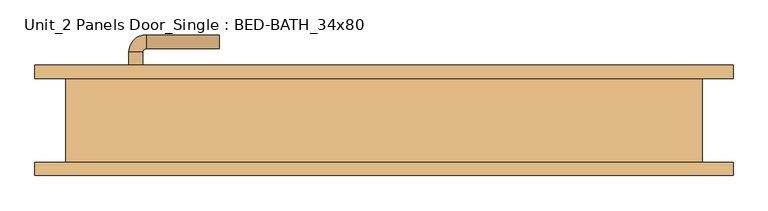
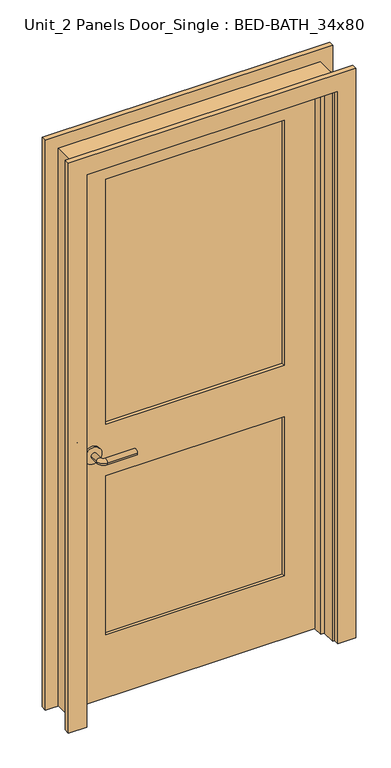
"""IFC4 building model written with IfcOpenShell, lengths in millimetres: door geometry, Unit_2 Panels Door_Single : BED-BATH_34x80."""

from ifc_helpers import new_model, si_unit, point, frame, frame_2d, origin, place, context, project, spatial, polyline, circle_curve, ellipse_curve, trimmed, segment, composite_curve, outline, extrude, faceted_brep, source, transform, mapped, element, save
from ifc_brep_helpers import plane_surface, cylinder_surface, revolved_surface, advanced_brep


def unit_2_panels_door_single_bed_bath_34x80_fb971476(model_context):
    return source(origin(), model_context, "Body", "SolidModel", [
        advanced_brep(
        [(-366.790625, 14.225, 914.4), (-346.790625, 14.225, 914.4), (-346.790625, -15.775, 914.4), (-366.790625, -15.775, 914.4), (-341.790625, -20.775, 914.4), (-341.790625, -40.775, 914.4), (-236.790625, -40.775, 914.4), (-236.790625, -20.775, 914.4)],
        [
            (0, 1, circle_curve(frame((-356.790625, 14.225, 914.4), z_axis=(0.0, 1.0, 0.0), x_axis=(1.0, 0.0, 0.0)), 10.0)),
            (1, 0, circle_curve(frame((-356.790625, 14.225, 914.4), z_axis=(0.0, 1.0, 0.0), x_axis=(1.0, 0.0, 0.0)), 10.0)),
            (1, 2),
            (2, 3, circle_curve(frame((-356.790625, -15.775, 914.4), z_axis=(0.0, 1.0, 0.0), x_axis=(1.0, 0.0, 0.0)), 10.0)),
            (3, 0),
            (3, 2, circle_curve(frame((-356.790625, -15.775, 914.4), z_axis=(0.0, 1.0, 0.0), x_axis=(1.0, 0.0, 0.0)), 10.0)),
            (4, 5, circle_curve(frame((-341.790625, -30.775, 914.4), z_axis=(-1.0, 0.0, 0.0), x_axis=(0.0, 1.0, 0.0)), 10.0)),
            (5, 3, circle_curve(frame((-341.790625, -15.775, 914.4), z_axis=(0.0, 0.0, -1.0), x_axis=(-1.0, 0.0, 0.0)), 25.0)),
            (2, 4, circle_curve(frame((-341.790625, -15.775, 914.4), z_axis=(0.0, 0.0, 1.0), x_axis=(-1.0, 0.0, 0.0)), 5.0)),
            (5, 4, circle_curve(frame((-341.790625, -30.775, 914.4), z_axis=(-1.0, 0.0, 0.0), x_axis=(0.0, 1.0, 0.0)), 10.0)),
            (6, 7, circle_curve(frame((-236.790625, -30.775, 914.4), z_axis=(1.0, 0.0, 0.0), x_axis=(0.0, 1.0, 0.0)), 10.0)),
            (7, 6, circle_curve(frame((-236.790625, -30.775, 914.4), z_axis=(1.0, 0.0, 0.0), x_axis=(0.0, 1.0, 0.0)), 10.0)),
            (4, 7),
            (6, 5),
        ],
        [
            plane_surface(frame((-356.790625, 14.225, 914.4), z_axis=(0.0, 1.0, 0.0), x_axis=(0.0, 0.0, 1.0))),
            cylinder_surface(frame((-356.790625, 14.225, 914.4), z_axis=(0.0, 1.0, 0.0), x_axis=(1.0, 0.0, 0.0)), 10.0),
            revolved_surface(trimmed(ellipse_curve(frame((-356.790625, -15.775, 914.4), z_axis=(0.0, -1.0, 0.0), x_axis=(1.0, 0.0, 0.0)), 10.0, 10.0), [point((-366.790625, -15.775, 914.4))], [point((-346.790625, -15.775, 914.4))], True, "CARTESIAN"), (-341.790625, -15.775, 914.4), (0.0, 0.0, -1.0)),
            revolved_surface(trimmed(ellipse_curve(frame((-356.790625, -15.775, 914.4), z_axis=(0.0, -1.0, 0.0), x_axis=(1.0, 0.0, 0.0)), 10.0, 10.0), [point((-346.790625, -15.775, 914.4))], [point((-366.790625, -15.775, 914.4))], True, "CARTESIAN"), (-341.790625, -15.775, 914.4), (0.0, 0.0, -1.0)),
            plane_surface(frame((-236.790625, -30.775, 914.4), z_axis=(1.0, 0.0, 0.0), x_axis=(0.0, 0.0, 1.0))),
            cylinder_surface(frame((-341.790625, -30.775, 914.4), z_axis=(-1.0, 0.0, 0.0), x_axis=(0.0, 1.0, 0.0)), 10.0),
        ],
        [
            (0, [[1, 2]]),
            (1, [[3, 4, 5, -2]]),
            (1, [[-5, 6, -3, -1]]),
            (2, [[7, 8, -4, 9]]),
            (3, [[10, -9, -6, -8]]),
            (4, [[11, 12]]),
            (5, [[13, -11, 14, -7]]),
            (5, [[-14, -12, -13, -10]]),
        ],
    ),
        extrude(outline(composite_curve([segment(trimmed(circle_curve(frame_2d((914.4, -359.290625)), 30.0), [point((914.4, -389.290625))], [point((914.4, -329.290625))], False, "CARTESIAN"), True, "CONTINUOUS"), segment(trimmed(circle_curve(frame_2d((914.4, -359.290625)), 30.0), [point((914.4, -329.290625))], [point((914.4, -389.290625))], False, "CARTESIAN"), True, "CONTINUOUS")], self_intersect=False)), frame((0.0, 14.225, 0.0), z_axis=(0.0, 1.0, 0.0), x_axis=(0.0, 0.0, 1.0)), (0.0, 0.0, 1.0), 8.0),
        advanced_brep(
        [(-366.790625, 65.15, 914.4), (-346.790625, 65.15, 914.4), (-366.790625, 95.15, 914.4), (-346.790625, 95.15, 914.4), (-341.790625, 100.15, 914.4), (-341.790625, 120.15, 914.4), (-236.790625, 120.15, 914.4), (-236.790625, 100.15, 914.4)],
        [
            (0, 1, circle_curve(frame((-356.790625, 65.15, 914.4), z_axis=(0.0, -1.0, 0.0), x_axis=(1.0, 0.0, 0.0)), 10.0)),
            (1, 0, circle_curve(frame((-356.790625, 65.15, 914.4), z_axis=(0.0, -1.0, 0.0), x_axis=(1.0, 0.0, 0.0)), 10.0)),
            (0, 2),
            (2, 3, circle_curve(frame((-356.790625, 95.15, 914.4), z_axis=(0.0, -1.0, 0.0), x_axis=(1.0, 0.0, 0.0)), 10.0)),
            (3, 1),
            (3, 2, circle_curve(frame((-356.790625, 95.15, 914.4), z_axis=(0.0, -1.0, 0.0), x_axis=(1.0, 0.0, 0.0)), 10.0)),
            (4, 3, circle_curve(frame((-341.790625, 95.15, 914.4), z_axis=(0.0, 0.0, 1.0), x_axis=(-1.0, 0.0, 0.0)), 5.0)),
            (2, 5, circle_curve(frame((-341.790625, 95.15, 914.4), z_axis=(0.0, 0.0, -1.0), x_axis=(-1.0, 0.0, 0.0)), 25.0)),
            (5, 4, circle_curve(frame((-341.790625, 110.15, 914.4), z_axis=(-1.0, 0.0, 0.0), x_axis=(0.0, -1.0, 0.0)), 10.0)),
            (4, 5, circle_curve(frame((-341.790625, 110.15, 914.4), z_axis=(-1.0, 0.0, 0.0), x_axis=(0.0, -1.0, 0.0)), 10.0)),
            (6, 7, circle_curve(frame((-236.790625, 110.15, 914.4), z_axis=(1.0, 0.0, 0.0), x_axis=(0.0, -1.0, 0.0)), 10.0)),
            (7, 6, circle_curve(frame((-236.790625, 110.15, 914.4), z_axis=(1.0, 0.0, 0.0), x_axis=(0.0, -1.0, 0.0)), 10.0)),
            (5, 6),
            (7, 4),
        ],
        [
            plane_surface(frame((-356.790625, 65.15, 914.4), z_axis=(0.0, -1.0, 0.0), x_axis=(0.0, 0.0, 1.0))),
            cylinder_surface(frame((-356.790625, 65.15, 914.4), z_axis=(0.0, -1.0, 0.0), x_axis=(1.0, 0.0, 0.0)), 10.0),
            revolved_surface(trimmed(ellipse_curve(frame((-356.790625, 95.15, 914.4), z_axis=(0.0, -1.0, 0.0), x_axis=(1.0, 0.0, 0.0)), 10.0, 10.0), [point((-366.790625, 95.15, 914.4))], [point((-346.790625, 95.15, 914.4))], True, "CARTESIAN"), (-341.790625, 95.15, 914.4), (0.0, 0.0, -1.0)),
            revolved_surface(trimmed(ellipse_curve(frame((-356.790625, 95.15, 914.4), z_axis=(0.0, -1.0, 0.0), x_axis=(1.0, 0.0, 0.0)), 10.0, 10.0), [point((-346.790625, 95.15, 914.4))], [point((-366.790625, 95.15, 914.4))], True, "CARTESIAN"), (-341.790625, 95.15, 914.4), (0.0, 0.0, -1.0)),
            plane_surface(frame((-236.790625, 110.15, 914.4), z_axis=(1.0, 0.0, 0.0), x_axis=(0.0, 0.0, 1.0))),
            cylinder_surface(frame((-341.790625, 110.15, 914.4), z_axis=(-1.0, 0.0, 0.0), x_axis=(0.0, -1.0, 0.0)), 10.0),
        ],
        [
            (0, [[1, 2]]),
            (1, [[-1, 3, 4, 5]]),
            (1, [[-2, -5, 6, -3]]),
            (2, [[7, -4, 8, 9]]),
            (3, [[-8, -6, -7, 10]]),
            (4, [[11, 12]]),
            (5, [[-9, 13, -12, 14]]),
            (5, [[-10, -14, -11, -13]]),
        ],
    ),
        extrude(outline(composite_curve([segment(trimmed(circle_curve(frame_2d((914.4, -359.290625)), 30.0), [point((914.4, -389.290625))], [point((914.4, -329.290625))], False, "CARTESIAN"), True, "CONTINUOUS"), segment(trimmed(circle_curve(frame_2d((914.4, -359.290625)), 30.0), [point((914.4, -329.290625))], [point((914.4, -389.290625))], False, "CARTESIAN"), True, "CONTINUOUS")], self_intersect=False)), frame((0.0, 57.15, 0.0), z_axis=(0.0, 1.0, 0.0), x_axis=(0.0, 0.0, 1.0)), (0.0, 0.0, 1.0), 8.0),
        extrude(outline(polyline([(311.15, 33.8666667), (-311.15, 33.8666667), (-311.15, 45.5083333), (311.15, 45.5083333), (311.15, 33.8666667)])), frame((0.0, 0.0, 1009.65), z_axis=(0.0, 0.0, 1.0), x_axis=(1.0, 0.0, 0.0)), (0.0, 0.0, 1.0), 903.2875),
        extrude(outline(polyline([(311.15, 33.8666667), (-311.15, 33.8666667), (-311.15, 45.5083333), (311.15, 45.5083333), (311.15, 33.8666667)])), frame((0.0, 0.0, 231.775), z_axis=(0.0, 0.0, 1.0), x_axis=(1.0, 0.0, 0.0)), (0.0, 0.0, 1.0), 587.375),
        extrude(outline(polyline([(2032.0, -431.8), (0.0, -431.8), (0.0, 431.8), (2032.0, 431.8), (2032.0, -431.8)]), holes=[polyline([(1912.9375, -311.15), (1912.9375, 311.15), (1009.65, 311.15), (1009.65, -311.15), (1912.9375, -311.15)]), polyline([(819.15, -311.15), (819.15, 311.15), (231.775, 311.15), (231.775, -311.15), (819.15, -311.15)])]), frame((0.0, 22.225, 0.0), z_axis=(0.0, 1.0, 0.0), x_axis=(0.0, 0.0, 1.0)), (0.0, 0.0, 1.0), 34.925),
        faceted_brep([(457.2, 57.15, 0.0), (457.2, -63.5, 0.0), (431.8, -63.5, 0.0), (431.8, -12.7, 0.0), (419.1, -12.7, 0.0), (419.1, 22.225, 0.0), (431.8, 22.225, 0.0), (431.8, 57.15, 0.0), (457.2, 57.15, 2057.4), (457.2, -63.5, 2057.4), (-457.2, -63.5, 2057.4), (-457.2, -63.5, 0.0), (-431.8, -63.5, 0.0), (-431.8, -63.5, 2032.0), (431.8, -63.5, 2032.0), (431.8, -12.7, 2032.0), (-431.8, -12.7, 2032.0), (-431.8, -12.7, 0.0), (-419.1, -12.7, 0.0), (-419.1, -12.7, 2019.3), (419.1, -12.7, 2019.3), (419.1, 22.225, 2019.3), (-419.1, 22.225, 2019.3), (-419.1, 22.225, 0.0), (-431.8, 22.225, 0.0), (-431.8, 22.225, 2032.0), (431.8, 22.225, 2032.0), (431.8, 57.15, 2032.0), (-431.8, 57.15, 2032.0), (-431.8, 57.15, 0.0), (-457.2, 57.15, 0.0), (-457.2, 57.15, 2057.4)], [[[0, 1, 2, 3, 4, 5, 6, 7]], [[1, 0, 8, 9]], [[2, 1, 9, 10, 11, 12, 13, 14]], [[3, 2, 14, 15]], [[4, 3, 15, 16, 17, 18, 19, 20]], [[5, 4, 20, 21]], [[6, 5, 21, 22, 23, 24, 25, 26]], [[7, 6, 26, 27]], [[0, 7, 27, 28, 29, 30, 31, 8]], [[9, 8, 31, 10]], [[15, 14, 13, 16]], [[21, 20, 19, 22]], [[27, 26, 25, 28]], [[30, 29, 24, 23, 18, 17, 12, 11]], [[10, 31, 30, 11]], [[16, 13, 12, 17]], [[22, 19, 18, 23]], [[28, 25, 24, 29]]]),
        extrude(outline(polyline([(0.0, 438.15), (0.0, 501.65), (2101.85, 501.65), (2101.85, -501.65), (0.0, -501.65), (0.0, -438.15), (2038.35, -438.15), (2038.35, 438.15), (0.0, 438.15)])), frame((0.0, -82.55, 0.0), z_axis=(0.0, 1.0, 0.0), x_axis=(0.0, 0.0, 1.0)), (0.0, 0.0, 1.0), 19.05),
        extrude(outline(polyline([(0.0, 438.15), (0.0, 501.65), (2101.85, 501.65), (2101.85, -501.65), (0.0, -501.65), (0.0, -438.15), (2038.35, -438.15), (2038.35, 438.15), (0.0, 438.15)])), frame((0.0, 57.15, 0.0), z_axis=(0.0, 1.0, 0.0), x_axis=(0.0, 0.0, 1.0)), (0.0, 0.0, 1.0), 19.05),
    ])


if __name__ == "__main__":
    model = new_model("IFC4")
    model_context = context("Model", 3, world=origin())
    ifc_project = project(units=[si_unit("LENGTHUNIT", "METRE", prefix="MILLI")], contexts=[model_context])
    site = spatial("IfcSite", under=ifc_project)
    building = spatial("IfcBuilding", under=site)
    placement = place(None, origin())
    unit_2_panels_door_single_bed_bath_34x80_shape = unit_2_panels_door_single_bed_bath_34x80_fb971476(model_context)
    element("IfcDoor", 1, ObjectType="Unit_2 Panels Door_Single : BED-BATH_34x80", at=placement, inside=building, context=model_context, shape_type="MappedRepresentation", body=[
        mapped(unit_2_panels_door_single_bed_bath_34x80_shape, transform((0.0, 0.0, 0.0), x_axis=(1.0, 0.0, 0.0), y_axis=(0.0, 1.0, 0.0), z_axis=(0.0, 0.0, 1.0))),
    ])
    save(model, "model.ifc")
